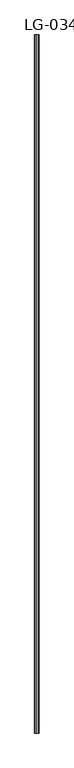
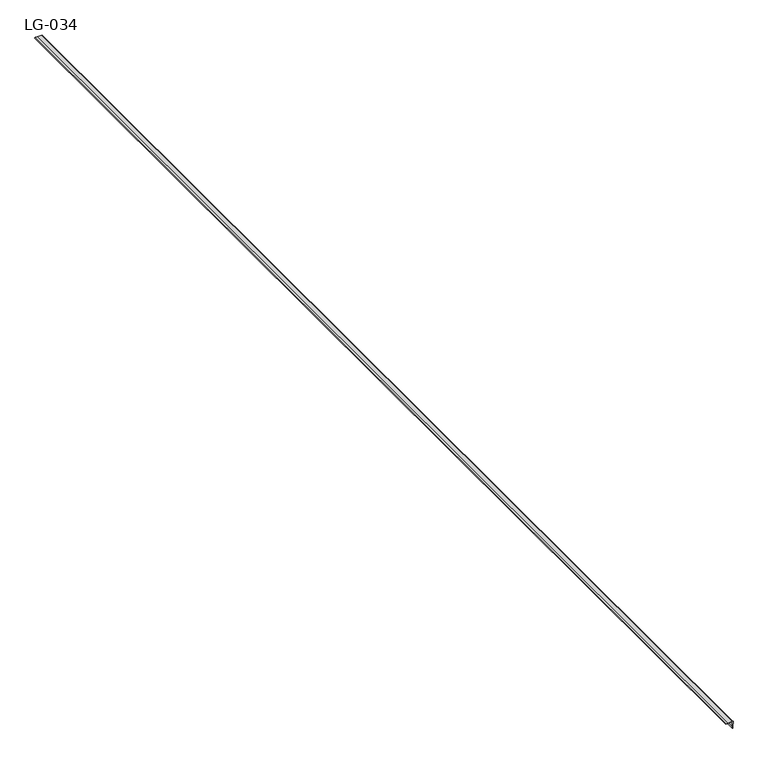
"""IFC4 building model written with IfcOpenShell, lengths in millimetres: proxy geometry, LG-034."""

from ifc_helpers import new_model, si_unit, point, frame, frame_2d, origin, place, context, project, spatial, polyline, circle_curve, trimmed, segment, composite_curve, outline, extrude, source, transform, mapped, element, save


def lg_034_dbfa706f(model_context):
    return source(origin(), model_context, "Body", "SweptSolid", [
        extrude(outline(composite_curve([segment(polyline([(2.5670213, 0.9457447), (2.0603723, -11.1125), (1.925266, -15.1319149)]), True, "CONTINUOUS"), segment(trimmed(circle_curve(frame_2d((0.5264975, -15.0848975)), 1.3995585), [point((1.925266, -15.1319149))], [point((0.0, -16.3816489))], False, "CARTESIAN"), True, "CONTINUOUS"), segment(polyline([(0.0, -16.3816489), (0.3039894, -12.5648936), (0.8106383, 0.8444149), (-12.5648936, 0.3039894), (-16.3816489, 0.0)]), True, "CONTINUOUS"), segment(trimmed(circle_curve(frame_2d((-15.0942749, 0.5325845)), 1.39319), [point((-16.3816489, 0.0))], [point((-15.1319149, 1.925266))], False, "CARTESIAN"), True, "CONTINUOUS"), segment(polyline([(-15.1319149, 1.925266), (-11.3827128, 2.0265957), (0.9457447, 2.5670213)]), True, "CONTINUOUS"), segment(trimmed(circle_curve(frame_2d((0.9457447, 0.9457447)), 1.6212766), [point((0.9457447, 2.5670213))], [point((2.5670213, 0.9457447))], False, "CARTESIAN"), True, "CONTINUOUS")], self_intersect=False)), frame((0.0, -1141.4125, 0.0), z_axis=(0.0, 1.0, 0.0), x_axis=(0.0, 0.0, 1.0)), (0.0, 0.0, 1.0), 3021.0125),
    ])


if __name__ == "__main__":
    model = new_model("IFC4")
    model_context = context("Model", 3, world=origin())
    ifc_project = project(units=[si_unit("LENGTHUNIT", "METRE", prefix="MILLI")], contexts=[model_context])
    site = spatial("IfcSite", under=ifc_project)
    building = spatial("IfcBuilding", under=site)
    placement = place(None, origin())
    lg_034_shape = lg_034_dbfa706f(model_context)
    element("IfcBuildingElementProxy", 1, Name="LG-034", ObjectType="LG-034", at=placement, inside=building, context=model_context, shape_type="MappedRepresentation", body=[
        mapped(lg_034_shape, transform((0.0, 0.0, 0.0), x_axis=(1.0, 0.0, 0.0), y_axis=(0.0, 1.0, 0.0), z_axis=(0.0, 0.0, 1.0))),
    ])
    save(model, "model.ifc")
